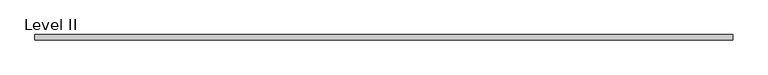
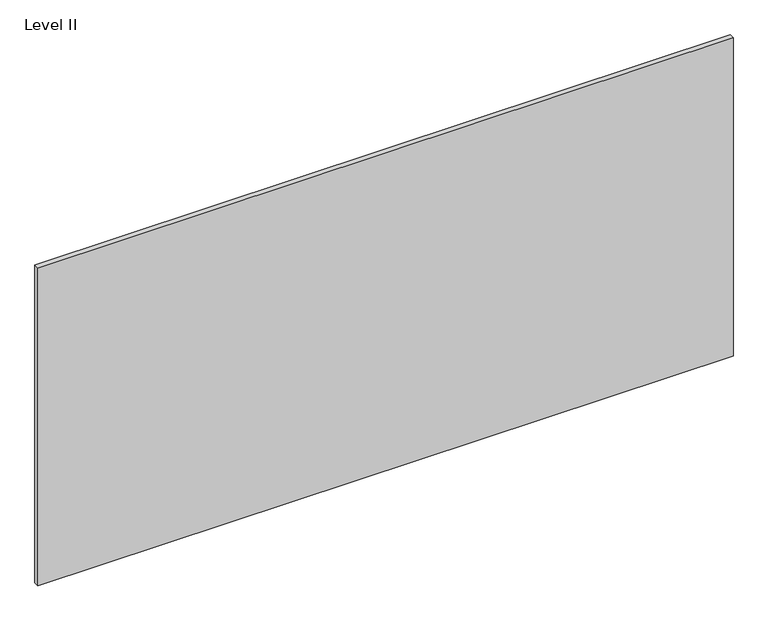
"""IFC4 building model written with IfcOpenShell, lengths in millimetres: proxy geometry, Level II."""

from ifc_helpers import new_model, si_unit, frame, origin, place, context, project, spatial, polyline, outline, extrude, source, transform, mapped, element, save


def level_ii_e725a0b5(model_context):
    return source(origin(), model_context, "Body", "SweptSolid", [
        extrude(outline(polyline([(1252.8407125, -9.525), (-1252.8407125, -9.525), (-1252.8407125, 9.525), (1252.8407125, 9.525), (1252.8407125, -9.525)])), frame((0.0, 0.0, 3.175), z_axis=(0.0, 0.0, 1.0), x_axis=(1.0, 0.0, 0.0)), (0.0, 0.0, 1.0), 1212.85),
    ])


if __name__ == "__main__":
    model = new_model("IFC4")
    model_context = context("Model", 3, world=origin())
    ifc_project = project(units=[si_unit("LENGTHUNIT", "METRE", prefix="MILLI")], contexts=[model_context])
    site = spatial("IfcSite", under=ifc_project)
    building = spatial("IfcBuilding", under=site)
    placement = place(None, origin())
    level_ii_shape = level_ii_e725a0b5(model_context)
    element("IfcBuildingElementProxy", 1, Name="Level II", ObjectType="Level II", at=placement, inside=building, context=model_context, shape_type="MappedRepresentation", body=[
        mapped(level_ii_shape, transform((0.0, 0.0, 0.0), x_axis=(1.0, 0.0, 0.0), y_axis=(0.0, 1.0, 0.0), z_axis=(0.0, 0.0, 1.0))),
    ])
    save(model, "model.ifc")
